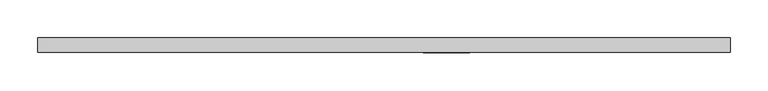
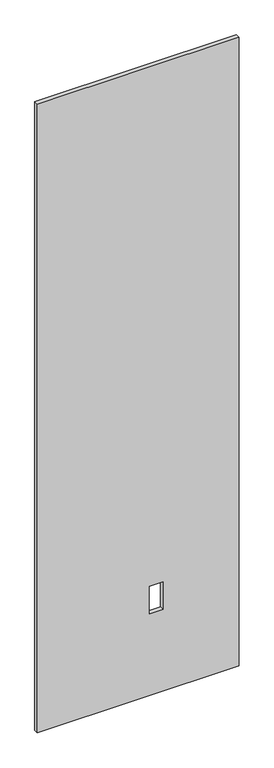
"""IFC4 building model written with IfcOpenShell, lengths in millimetres: proxy geometry."""

from ifc_helpers import new_model, si_unit, frame, origin, place, context, project, spatial, polyline, outline, extrude, source, transform, mapped, element, save


def specialty_equipment_f7536fda(model_context):
    return source(origin(), model_context, "Body", "SweptSolid", [
        extrude(outline(polyline([(2999.5368001, -455.3204), (3.175, -455.3204), (3.175, 455.3204), (2999.5368001, 455.3204), (2999.5368001, -455.3204)]), holes=[polyline([(391.922, 112.8268), (391.922, 51.3588), (522.478, 51.3588), (522.478, 112.8268), (391.922, 112.8268)])]), frame((0.0, -9.525, 0.0), z_axis=(0.0, 1.0, 0.0), x_axis=(0.0, 0.0, 1.0)), (0.0, 0.0, 1.0), 19.05),
    ])


if __name__ == "__main__":
    model = new_model("IFC4")
    model_context = context("Model", 3, world=origin())
    ifc_project = project(units=[si_unit("LENGTHUNIT", "METRE", prefix="MILLI")], contexts=[model_context])
    site = spatial("IfcSite", under=ifc_project)
    building = spatial("IfcBuilding", under=site)
    placement = place(None, origin())
    specialty_equipment_shape = specialty_equipment_f7536fda(model_context)
    element("IfcBuildingElementProxy", 1, Name="Specialty Equipment", at=placement, inside=building, context=model_context, shape_type="MappedRepresentation", body=[
        mapped(specialty_equipment_shape, transform((0.0, 0.0, 0.0), x_axis=(1.0, 0.0, 0.0), y_axis=(0.0, 1.0, 0.0), z_axis=(0.0, 0.0, 1.0))),
    ])
    save(model, "model.ifc")
